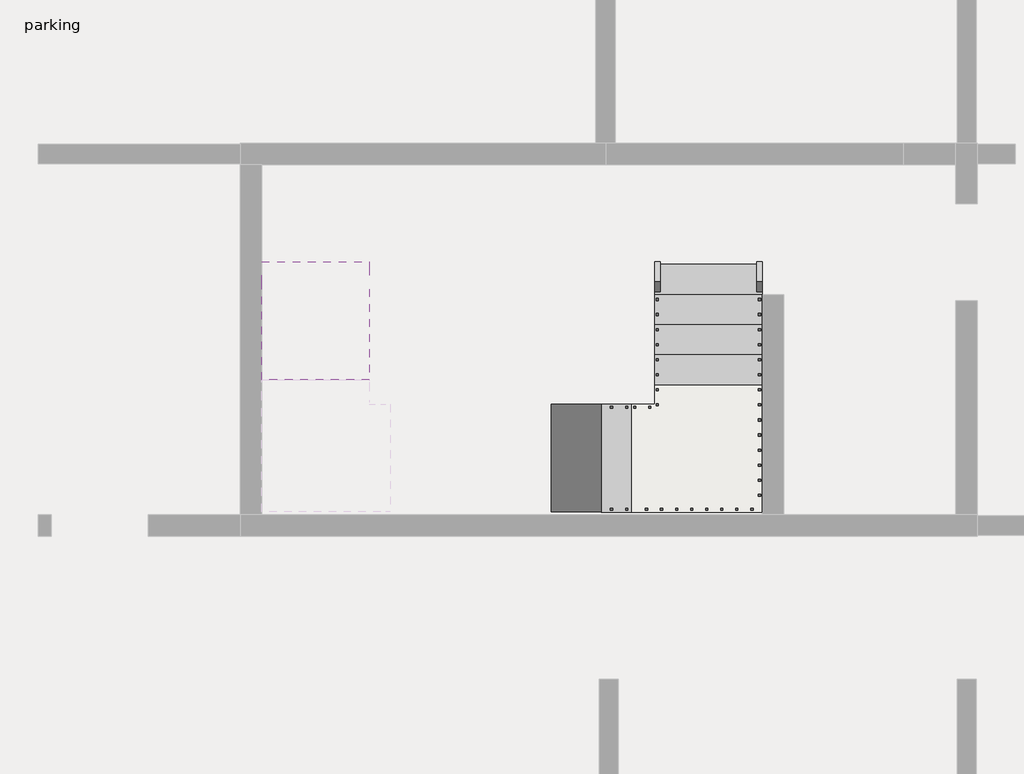
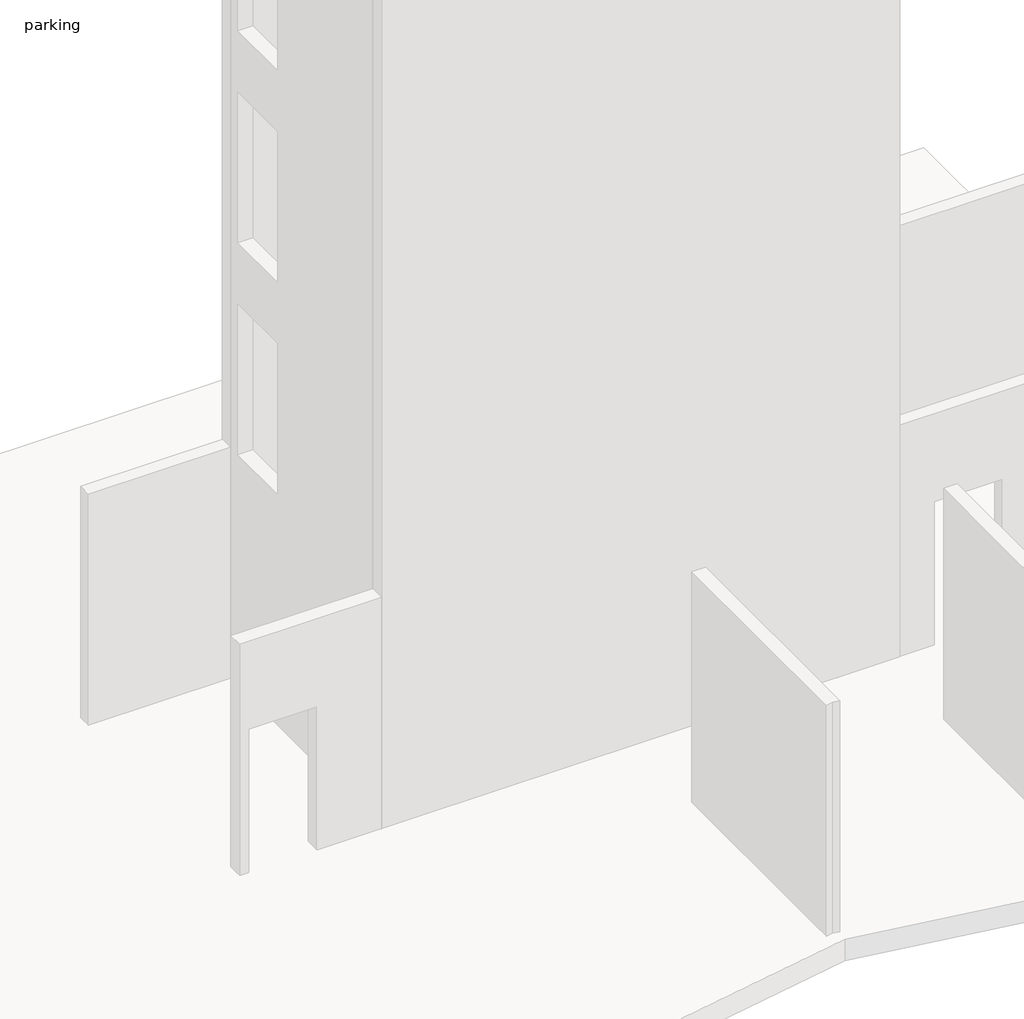
# One storey, part 4 of 4: 3 stair flights, 2 railings, 1 slab.
"""IFC4 building model written with IfcOpenShell, lengths in millimetres."""

import ifcopenshell
import ifcopenshell.guid

model = None  # the IFC model being written
_history = None  # IfcOwnerHistory: only IFC2X3 demands one
_inside = {}  # id of a spatial element -> (the spatial element, [elements in it])
_under = {}  # id of a project, library or spatial element -> (it, [spatial elements below it])
_declared = {}  # id of a project -> (the project, [libraries it declares])
_typed = {}  # id of a type object -> (the type object, [elements of that type])
_made_of = {}  # id of a material, layer set ... -> (it, [elements and type objects made of it])


def new_model(schema):
    """Start an empty IFC model of exactly this schema.

    Asked for "IFC4X3", IfcOpenShell would pick the latest addendum, in which some entities
    have other attributes; the version numbers below select the first issue.
    IFC2X3 requires an IfcOwnerHistory on every rooted entity: one is made here for all.
    """
    global model, _history
    if schema == "IFC4X3":
        model = ifcopenshell.file(schema_version=(4, 3, 0, 0))
    else:
        model = ifcopenshell.file(schema=schema)
    _inside.clear()
    _under.clear()
    _declared.clear()
    _typed.clear()
    _made_of.clear()
    _history = None
    if model.schema == "IFC2X3":
        org = make("IfcOrganization", Name="unknown")
        user = make(
            "IfcPersonAndOrganization",
            ThePerson=make("IfcPerson", FamilyName="unknown"),
            TheOrganization=org,
        )
        app = make(
            "IfcApplication",
            ApplicationDeveloper=org,
            Version="unknown",
            ApplicationFullName="unknown",
            ApplicationIdentifier="unknown",
        )
        _history = make(
            "IfcOwnerHistory",
            OwningUser=user,
            OwningApplication=app,
            ChangeAction="ADDED",
            CreationDate=0,
        )
    return model


def make(cls, **values):
    """One entity of the class cls with the attributes given. An attribute that is None is left unset."""
    return model.create_entity(
        cls, **{name: value for name, value in values.items() if value is not None}
    )


def rooted(cls, **values):
    """An entity with a GlobalId (a new one), such as an element, a storey or a relation."""
    return make(cls, GlobalId=ifcopenshell.guid.new(), OwnerHistory=_history, **values)


def si_unit(unit_type, name, prefix=None):
    """IfcSIUnit, for example si_unit("LENGTHUNIT", "METRE", prefix="MILLI")."""
    return make("IfcSIUnit", UnitType=unit_type, Prefix=prefix, Name=name)


def assignment(units):
    """IfcUnitAssignment: the units of a project."""
    return None if units is None else make("IfcUnitAssignment", Units=units)


def point(xyz):
    """IfcCartesianPoint."""
    return None if xyz is None else make("IfcCartesianPoint", Coordinates=xyz)


def direction(xyz):
    """IfcDirection."""
    return None if xyz is None else make("IfcDirection", DirectionRatios=xyz)


def frame(location, z_axis=None, x_axis=None):
    """IfcAxis2Placement3D, a coordinate frame: its origin and axes. An axis left out is left unset."""
    return make(
        "IfcAxis2Placement3D",
        Location=point(location),
        Axis=direction(z_axis),
        RefDirection=direction(x_axis),
    )


def origin():
    """The frame at (0, 0, 0) with its axes left unset."""
    return frame((0.0, 0.0, 0.0))


def place(relative_to, where):
    """IfcLocalPlacement: puts the frame where relative to a parent placement (None: the world)."""
    return make(
        "IfcLocalPlacement", PlacementRelTo=relative_to, RelativePlacement=where
    )


def context(
    kind, dimensions, precision=None, world=None, true_north=None, identifier=None
):
    """IfcGeometricRepresentationContext, for example the 3D "Model" context."""
    return make(
        "IfcGeometricRepresentationContext",
        ContextIdentifier=identifier,
        ContextType=kind,
        CoordinateSpaceDimension=dimensions,
        Precision=precision,
        WorldCoordinateSystem=world,
        TrueNorth=true_north,
    )


def project(units=None, contexts=None):
    """IfcProject with its units and contexts."""
    return rooted(
        "IfcProject",
        Name="project",
        RepresentationContexts=contexts,
        UnitsInContext=assignment(units),
    )


def spatial(cls, under=None, at=None, **own):
    """A site, building, storey or space (cls), placed at a placement, below another one or the project."""
    s = rooted(cls, ObjectPlacement=at, **own)
    if under is not None:
        _under.setdefault(under.id(), (under, []))[1].append(s)
    return s


def polyline(points):
    """IfcPolyline through the points."""
    return make("IfcPolyline", Points=[point(p) for p in points])


def outline(outer, holes=None, kind="AREA"):
    """IfcArbitraryClosedProfileDef: a profile drawn as a closed curve; with holes, ...WithVoids."""
    if holes is None:
        return make("IfcArbitraryClosedProfileDef", ProfileType=kind, OuterCurve=outer)
    return make(
        "IfcArbitraryProfileDefWithVoids",
        ProfileType=kind,
        OuterCurve=outer,
        InnerCurves=holes,
    )


def extrude(swept, where, along, depth):
    """IfcExtrudedAreaSolid: the profile swept, set in the frame where, extruded along a direction by depth."""
    return make(
        "IfcExtrudedAreaSolid",
        SweptArea=swept,
        Position=where,
        ExtrudedDirection=direction(along),
        Depth=depth,
    )


def faces_of(points, faces, orient=None, outer=None):
    """IfcFace entities. A face is a list of loops; a loop is a list of indices into points, from 0.

    orient and outer hold one flag for each loop. By default every Orientation is true, the
    first loop of a face is its IfcFaceOuterBound and the others are IfcFaceBound.
    """
    made = []
    for i, loops in enumerate(faces):
        bounds = []
        for j, loop in enumerate(loops):
            is_outer = j == 0 if outer is None else outer[i][j]
            bounds.append(
                make(
                    "IfcFaceOuterBound" if is_outer else "IfcFaceBound",
                    Bound=make("IfcPolyLoop", Polygon=[points[k] for k in loop]),
                    Orientation=True if orient is None else orient[i][j],
                )
            )
        made.append(make("IfcFace", Bounds=bounds))
    return made


def faceted_brep(points, faces, orient=None, outer=None, voids=None):
    """IfcFacetedBrep: a solid bounded by flat faces; with voids (closed shells), ...WithVoids."""
    shared = [point(p) for p in points]
    hull = make("IfcClosedShell", CfsFaces=faces_of(shared, faces, orient, outer))
    if voids is None:
        return make("IfcFacetedBrep", Outer=hull)
    return make(
        "IfcFacetedBrepWithVoids",
        Outer=hull,
        Voids=[
            make(cls, CfsFaces=faces_of(shared, fs, o, b)) for cls, fs, o, b in voids
        ],
    )


def shape(context_of_items, identifier, shape_type, items):
    """IfcShapeRepresentation: the items that make up one representation, for example the "Body"."""
    return make(
        "IfcShapeRepresentation",
        ContextOfItems=context_of_items,
        RepresentationIdentifier=identifier,
        RepresentationType=shape_type,
        Items=items,
    )


def made_of(thing, what):
    """Note that an element or type object is made of a material, layer set ...; save() writes the relation."""
    if what is not None:
        _made_of.setdefault(what.id(), (what, []))[1].append(thing)
    return thing


def element(
    cls,
    number,
    at=None,
    inside=None,
    cuts=None,
    type_object=None,
    material=None,
    context=None,
    identifier="Body",
    shape_type=None,
    held_by="IfcProductDefinitionShape",
    body=None,
    shapes=None,
    **own,
):
    """One element of the class cls, such as IfcWall. Its Tag is "e" and its number.

    at: its placement. inside: the storey or other place that contains it. cuts: it is an
    opening in that element (IfcRelVoidsElement). A single representation is given by context,
    identifier, shape_type and body (its items); several are given by shapes. held_by: the class
    of the entity that holds the representations. save() writes the other relations.
    """
    e = rooted(cls, Tag="e%d" % number, ObjectPlacement=at, **own)
    if body is not None:
        shapes = [shape(context, identifier, shape_type, body)]
    if shapes is not None:
        e.Representation = make(held_by, Representations=shapes)
    if inside is not None:
        _inside.setdefault(inside.id(), (inside, []))[1].append(e)
    if cuts is not None:
        rooted(
            "IfcRelVoidsElement", RelatingBuildingElement=cuts, RelatedOpeningElement=e
        )
    if type_object is not None:
        _typed.setdefault(type_object.id(), (type_object, []))[1].append(e)
    return made_of(e, material)


def aggregate(whole, parts):
    """IfcRelAggregates: a whole, such as a stair, and the parts it consists of."""
    return rooted("IfcRelAggregates", RelatingObject=whole, RelatedObjects=parts)


def save(model, path):
    """Write the relations noted so far, then the file.

    IfcRelAggregates (storeys below a building ...), IfcRelContainedInSpatialStructure (elements
    in a storey), IfcRelDefinesByType, IfcRelAssociatesMaterial and IfcRelDeclares: one each for
    every whole, place, type object, material and project.
    """
    for whole, parts in _under.values():
        aggregate(whole, parts)
    for where, things in _inside.values():
        rooted(
            "IfcRelContainedInSpatialStructure",
            RelatedElements=things,
            RelatingStructure=where,
        )
    for kind, things in _typed.values():
        rooted("IfcRelDefinesByType", RelatedObjects=things, RelatingType=kind)
    for what, things in _made_of.values():
        rooted("IfcRelAssociatesMaterial", RelatedObjects=things, RelatingMaterial=what)
    for by, libraries in _declared.values():
        rooted("IfcRelDeclares", RelatingContext=by, RelatedDefinitions=libraries)
    model.write(path)


model = new_model("IFC4")

# Units and contexts
model_context = context("Model", 3, world=origin())
ifc_project = project(units=[si_unit("LENGTHUNIT", "METRE", prefix="MILLI")], contexts=[model_context])

# Site, building, storey
site = spatial("IfcSite", under=ifc_project)
building = spatial("IfcBuilding", under=site)
storey = spatial("IfcBuildingStorey", under=building, Name="parking", Elevation=-3230.0)

# Railings
placement = place(None, origin())
element("IfcRailing", 1, ObjectType="900mm", at=placement, inside=storey, context=model_context, shape_type="SolidModel", body=[
    faceted_brep([(6142.5903209, 12817.190715, -2150.2631579), (6142.5903209, 12817.190715, -2209.6781773), (6092.5903209, 12817.190715, -2209.6781773), (6092.5903209, 12817.190715, -2150.2631579), (6142.5903209, 11697.190715, -1431.3157895), (6142.5903209, 11682.5236862, -1481.3157895), (6092.5903209, 11682.5236862, -1481.3157895), (6092.5903209, 11697.190715, -1431.3157895), (6142.5903209, 11441.790715, -1431.3157895), (6092.5903209, 11441.790715, -1431.3157895), (6092.5903209, 11441.790715, -1481.3157895), (6142.5903209, 11441.790715, -1481.3157895)], [[[0, 1, 2, 3]], [[1, 0, 4, 5]], [[2, 1, 5, 6]], [[3, 2, 6, 7]], [[0, 3, 7, 4]], [[8, 9, 10, 11]], [[5, 4, 8, 11]], [[6, 5, 11, 10]], [[7, 6, 10, 9]], [[4, 7, 9, 8]]]),
    faceted_brep([(6092.5903209, 11441.790715, -1410.4549675), (6092.5903209, 11441.790715, -1475.5755908), (6092.5903209, 11491.790715, -1475.5755908), (6092.5903209, 11491.790715, -1410.4549675), (5902.1903209, 11441.790715, -1251.5789474), (5872.5532198, 11441.790715, -1291.969399), (5872.5532198, 11491.790715, -1291.969399), (5902.1903209, 11491.790715, -1251.5789474), (3662.1903209, 11441.790715, 186.3157895), (3647.5232922, 11441.790715, 136.3157895), (3647.5232922, 11491.790715, 136.3157895), (3662.1903209, 11491.790715, 186.3157895), (3391.7903209, 11441.790715, 186.3157895), (3391.7903209, 11491.790715, 186.3157895), (3391.7903209, 11491.790715, 136.3157895), (3391.7903209, 11441.790715, 136.3157895)], [[[0, 1, 2, 3]], [[1, 0, 4, 5]], [[2, 1, 5, 6]], [[3, 2, 6, 7]], [[0, 3, 7, 4]], [[5, 4, 8, 9]], [[6, 5, 9, 10]], [[7, 6, 10, 11]], [[4, 7, 11, 8]], [[12, 13, 14, 15]], [[9, 8, 12, 15]], [[10, 9, 15, 14]], [[11, 10, 14, 13]], [[8, 11, 13, 12]]]),
    faceted_brep([(3391.7903209, 11491.790715, 205.818485), (3391.7903209, 11491.790715, 142.4038137), (3441.7903209, 11491.790715, 142.4038137), (3441.7903209, 11491.790715, 205.818485), (3391.7903209, 11697.190715, 366.0526316), (3391.7903209, 11726.1337398, 325.2166404), (3441.7903209, 11726.1337398, 325.2166404), (3441.7903209, 11697.190715, 366.0526316), (3391.7903209, 12817.190715, 1085.0), (3441.7903209, 12817.190715, 1085.0), (3441.7903209, 12817.190715, 1025.5849806), (3391.7903209, 12817.190715, 1025.5849806)], [[[0, 1, 2, 3]], [[1, 0, 4, 5]], [[2, 1, 5, 6]], [[3, 2, 6, 7]], [[0, 3, 7, 4]], [[8, 9, 10, 11]], [[5, 4, 8, 11]], [[6, 5, 11, 10]], [[7, 6, 10, 9]], [[4, 7, 9, 8]]]),
    extrude(outline(polyline([(12737.190715, 5.2631579), (12737.190715, 974.2315972), (12757.190715, 987.069943), (12757.190715, 5.2631579), (12737.190715, 5.2631579)])), frame((3406.7903209, 0.0, 0.0), z_axis=(1.0, 0.0, 0.0), x_axis=(0.0, 1.0, 0.0)), (0.0, 0.0, 1.0), 20.0),
    extrude(outline(polyline([(12597.190715, 5.2631579), (12597.190715, 884.3631761), (12617.190715, 897.201522), (12617.190715, 5.2631579), (12597.190715, 5.2631579)])), frame((3406.7903209, 0.0, 0.0), z_axis=(1.0, 0.0, 0.0), x_axis=(0.0, 1.0, 0.0)), (0.0, 0.0, 1.0), 20.0),
    extrude(outline(polyline([(12457.190715, -174.4736842), (12457.190715, 794.4947551), (12477.190715, 807.3331009), (12477.190715, -174.4736842), (12457.190715, -174.4736842)])), frame((3406.7903209, 0.0, 0.0), z_axis=(1.0, 0.0, 0.0), x_axis=(0.0, 1.0, 0.0)), (0.0, 0.0, 1.0), 20.0),
    extrude(outline(polyline([(12317.190715, -174.4736842), (12317.190715, 704.626334), (12337.190715, 717.4646799), (12337.190715, -174.4736842), (12317.190715, -174.4736842)])), frame((3406.7903209, 0.0, 0.0), z_axis=(1.0, 0.0, 0.0), x_axis=(0.0, 1.0, 0.0)), (0.0, 0.0, 1.0), 20.0),
    extrude(outline(polyline([(12177.190715, -354.2105263), (12177.190715, 614.7579129), (12197.190715, 627.5962588), (12197.190715, -354.2105263), (12177.190715, -354.2105263)])), frame((3406.7903209, 0.0, 0.0), z_axis=(1.0, 0.0, 0.0), x_axis=(0.0, 1.0, 0.0)), (0.0, 0.0, 1.0), 20.0),
    extrude(outline(polyline([(12037.190715, -354.2105263), (12037.190715, 524.8894919), (12057.190715, 537.7278378), (12057.190715, -354.2105263), (12037.190715, -354.2105263)])), frame((3406.7903209, 0.0, 0.0), z_axis=(1.0, 0.0, 0.0), x_axis=(0.0, 1.0, 0.0)), (0.0, 0.0, 1.0), 20.0),
    extrude(outline(polyline([(11897.190715, -533.9473684), (11897.190715, 435.0210708), (11917.190715, 447.8594167), (11917.190715, -533.9473684), (11897.190715, -533.9473684)])), frame((3406.7903209, 0.0, 0.0), z_axis=(1.0, 0.0, 0.0), x_axis=(0.0, 1.0, 0.0)), (0.0, 0.0, 1.0), 20.0),
    extrude(outline(polyline([(11757.190715, -533.9473684), (11757.190715, 345.1526498), (11777.190715, 357.9909957), (11777.190715, -533.9473684), (11757.190715, -533.9473684)])), frame((3406.7903209, 0.0, 0.0), z_axis=(1.0, 0.0, 0.0), x_axis=(0.0, 1.0, 0.0)), (0.0, 0.0, 1.0), 20.0),
    extrude(outline(polyline([(11666.790715, -713.6842105), (11666.790715, 278.9226825), (11686.790715, 294.524839), (11686.790715, -713.6842105), (11666.790715, -713.6842105)])), frame((3406.7903209, 0.0, 0.0), z_axis=(1.0, 0.0, 0.0), x_axis=(0.0, 1.0, 0.0)), (0.0, 0.0, 1.0), 20.0),
    extrude(outline(polyline([(11526.790715, -713.6842105), (11526.790715, 169.7075875), (11546.790715, 185.3097439), (11546.790715, -713.6842105), (11526.790715, -713.6842105)])), frame((3406.7903209, 0.0, 0.0), z_axis=(1.0, 0.0, 0.0), x_axis=(0.0, 1.0, 0.0)), (0.0, 0.0, 1.0), 20.0),
    extrude(outline(polyline([(3462.1903209, 11476.790715), (3462.1903209, 11456.790715), (3442.1903209, 11456.790715), (3442.1903209, 11476.790715), (3462.1903209, 11476.790715)])), frame((0.0, 0.0, -713.6842105), z_axis=(0.0, 0.0, 1.0), x_axis=(1.0, 0.0, 0.0)), (0.0, 0.0, 1.0), 850.0),
    extrude(outline(polyline([(3602.1903209, 11476.790715), (3602.1903209, 11456.790715), (3582.1903209, 11456.790715), (3582.1903209, 11476.790715), (3602.1903209, 11476.790715)])), frame((0.0, 0.0, -713.6842105), z_axis=(0.0, 0.0, 1.0), x_axis=(1.0, 0.0, 0.0)), (0.0, 0.0, 1.0), 850.0),
    extrude(outline(polyline([(-893.4210526, 3742.1903209), (75.5473866, 3742.1903209), (88.3857325, 3722.1903209), (-893.4210526, 3722.1903209), (-893.4210526, 3742.1903209)])), frame((0.0, 11456.790715, 0.0), z_axis=(0.0, 1.0, 0.0), x_axis=(0.0, 0.0, 1.0)), (0.0, 0.0, 1.0), 20.0),
    extrude(outline(polyline([(-893.4210526, 3882.1903209), (-14.3210344, 3882.1903209), (-1.4826886, 3862.1903209), (-893.4210526, 3862.1903209), (-893.4210526, 3882.1903209)])), frame((0.0, 11456.790715, 0.0), z_axis=(0.0, 1.0, 0.0), x_axis=(0.0, 0.0, 1.0)), (0.0, 0.0, 1.0), 20.0),
    extrude(outline(polyline([(-1073.1578947, 4022.1903209), (-104.1894555, 4022.1903209), (-91.3511096, 4002.1903209), (-1073.1578947, 4002.1903209), (-1073.1578947, 4022.1903209)])), frame((0.0, 11456.790715, 0.0), z_axis=(0.0, 1.0, 0.0), x_axis=(0.0, 0.0, 1.0)), (0.0, 0.0, 1.0), 20.0),
    extrude(outline(polyline([(-1073.1578947, 4162.1903209), (-194.0578765, 4162.1903209), (-181.2195307, 4142.1903209), (-1073.1578947, 4142.1903209), (-1073.1578947, 4162.1903209)])), frame((0.0, 11456.790715, 0.0), z_axis=(0.0, 1.0, 0.0), x_axis=(0.0, 0.0, 1.0)), (0.0, 0.0, 1.0), 20.0),
    extrude(outline(polyline([(-1252.8947368, 4302.1903209), (-283.9262976, 4302.1903209), (-271.0879517, 4282.1903209), (-1252.8947368, 4282.1903209), (-1252.8947368, 4302.1903209)])), frame((0.0, 11456.790715, 0.0), z_axis=(0.0, 1.0, 0.0), x_axis=(0.0, 0.0, 1.0)), (0.0, 0.0, 1.0), 20.0),
    extrude(outline(polyline([(-1252.8947368, 4442.1903209), (-373.7947186, 4442.1903209), (-360.9563728, 4422.1903209), (-1252.8947368, 4422.1903209), (-1252.8947368, 4442.1903209)])), frame((0.0, 11456.790715, 0.0), z_axis=(0.0, 1.0, 0.0), x_axis=(0.0, 0.0, 1.0)), (0.0, 0.0, 1.0), 20.0),
    extrude(outline(polyline([(-1432.6315789, 4582.1903209), (-463.6631397, 4582.1903209), (-450.8247938, 4562.1903209), (-1432.6315789, 4562.1903209), (-1432.6315789, 4582.1903209)])), frame((0.0, 11456.790715, 0.0), z_axis=(0.0, 1.0, 0.0), x_axis=(0.0, 0.0, 1.0)), (0.0, 0.0, 1.0), 20.0),
    extrude(outline(polyline([(-1432.6315789, 4722.1903209), (-553.5315607, 4722.1903209), (-540.6932149, 4702.1903209), (-1432.6315789, 4702.1903209), (-1432.6315789, 4722.1903209)])), frame((0.0, 11456.790715, 0.0), z_axis=(0.0, 1.0, 0.0), x_axis=(0.0, 0.0, 1.0)), (0.0, 0.0, 1.0), 20.0),
    extrude(outline(polyline([(-1612.3684211, 4862.1903209), (-643.3999818, 4862.1903209), (-630.5616359, 4842.1903209), (-1612.3684211, 4842.1903209), (-1612.3684211, 4862.1903209)])), frame((0.0, 11456.790715, 0.0), z_axis=(0.0, 1.0, 0.0), x_axis=(0.0, 0.0, 1.0)), (0.0, 0.0, 1.0), 20.0),
    extrude(outline(polyline([(-1612.3684211, 5002.1903209), (-733.2684028, 5002.1903209), (-720.430057, 4982.1903209), (-1612.3684211, 4982.1903209), (-1612.3684211, 5002.1903209)])), frame((0.0, 11456.790715, 0.0), z_axis=(0.0, 1.0, 0.0), x_axis=(0.0, 0.0, 1.0)), (0.0, 0.0, 1.0), 20.0),
    extrude(outline(polyline([(-1792.1052632, 5142.1903209), (-823.1368239, 5142.1903209), (-810.298478, 5122.1903209), (-1792.1052632, 5122.1903209), (-1792.1052632, 5142.1903209)])), frame((0.0, 11456.790715, 0.0), z_axis=(0.0, 1.0, 0.0), x_axis=(0.0, 0.0, 1.0)), (0.0, 0.0, 1.0), 20.0),
    extrude(outline(polyline([(-1792.1052632, 5282.1903209), (-913.0052449, 5282.1903209), (-900.1668991, 5262.1903209), (-1792.1052632, 5262.1903209), (-1792.1052632, 5282.1903209)])), frame((0.0, 11456.790715, 0.0), z_axis=(0.0, 1.0, 0.0), x_axis=(0.0, 0.0, 1.0)), (0.0, 0.0, 1.0), 20.0),
    extrude(outline(polyline([(-1971.8421053, 5422.1903209), (-1002.873666, 5422.1903209), (-990.0353201, 5402.1903209), (-1971.8421053, 5402.1903209), (-1971.8421053, 5422.1903209)])), frame((0.0, 11456.790715, 0.0), z_axis=(0.0, 1.0, 0.0), x_axis=(0.0, 0.0, 1.0)), (0.0, 0.0, 1.0), 20.0),
    extrude(outline(polyline([(-1971.8421053, 5562.1903209), (-1092.7420871, 5562.1903209), (-1079.9037412, 5542.1903209), (-1971.8421053, 5542.1903209), (-1971.8421053, 5562.1903209)])), frame((0.0, 11456.790715, 0.0), z_axis=(0.0, 1.0, 0.0), x_axis=(0.0, 0.0, 1.0)), (0.0, 0.0, 1.0), 20.0),
    extrude(outline(polyline([(-2151.5789474, 5702.1903209), (-1182.6105081, 5702.1903209), (-1169.7721622, 5682.1903209), (-2151.5789474, 5682.1903209), (-2151.5789474, 5702.1903209)])), frame((0.0, 11456.790715, 0.0), z_axis=(0.0, 1.0, 0.0), x_axis=(0.0, 0.0, 1.0)), (0.0, 0.0, 1.0), 20.0),
    extrude(outline(polyline([(-2151.5789474, 5842.1903209), (-1272.4789292, 5842.1903209), (-1259.6405833, 5822.1903209), (-2151.5789474, 5822.1903209), (-2151.5789474, 5842.1903209)])), frame((0.0, 11456.790715, 0.0), z_axis=(0.0, 1.0, 0.0), x_axis=(0.0, 0.0, 1.0)), (0.0, 0.0, 1.0), 20.0),
    extrude(outline(polyline([(-2331.3157895, 5917.5903209), (-1329.549837, 5917.5903209), (-1312.8611794, 5897.5903209), (-2331.3157895, 5897.5903209), (-2331.3157895, 5917.5903209)])), frame((0.0, 11456.790715, 0.0), z_axis=(0.0, 1.0, 0.0), x_axis=(0.0, 0.0, 1.0)), (0.0, 0.0, 1.0), 20.0),
    extrude(outline(polyline([(-2331.3157895, 6057.5903209), (-1446.37044, 6057.5903209), (-1429.6817824, 6037.5903209), (-2331.3157895, 6037.5903209), (-2331.3157895, 6057.5903209)])), frame((0.0, 11456.790715, 0.0), z_axis=(0.0, 1.0, 0.0), x_axis=(0.0, 0.0, 1.0)), (0.0, 0.0, 1.0), 20.0),
    extrude(outline(polyline([(6107.5903209, 11497.190715), (6127.5903209, 11497.190715), (6127.5903209, 11477.190715), (6107.5903209, 11477.190715), (6107.5903209, 11497.190715)])), frame((0.0, 0.0, -2331.3157895), z_axis=(0.0, 0.0, 1.0), x_axis=(1.0, 0.0, 0.0)), (0.0, 0.0, 1.0), 850.0),
    extrude(outline(polyline([(6107.5903209, 11637.190715), (6127.5903209, 11637.190715), (6127.5903209, 11617.190715), (6107.5903209, 11617.190715), (6107.5903209, 11637.190715)])), frame((0.0, 0.0, -2331.3157895), z_axis=(0.0, 0.0, 1.0), x_axis=(1.0, 0.0, 0.0)), (0.0, 0.0, 1.0), 850.0),
    extrude(outline(polyline([(11777.190715, -1542.0841923), (11777.190715, -2511.0526316), (11757.190715, -2511.0526316), (11757.190715, -1529.2458465), (11777.190715, -1542.0841923)])), frame((6107.5903209, 0.0, 0.0), z_axis=(1.0, 0.0, 0.0), x_axis=(0.0, 1.0, 0.0)), (0.0, 0.0, 1.0), 20.0),
    extrude(outline(polyline([(11917.190715, -1631.9526134), (11917.190715, -2511.0526316), (11897.190715, -2511.0526316), (11897.190715, -1619.1142675), (11917.190715, -1631.9526134)])), frame((6107.5903209, 0.0, 0.0), z_axis=(1.0, 0.0, 0.0), x_axis=(0.0, 1.0, 0.0)), (0.0, 0.0, 1.0), 20.0),
    extrude(outline(polyline([(12057.190715, -1721.8210344), (12057.190715, -2690.7894737), (12037.190715, -2690.7894737), (12037.190715, -1708.9826886), (12057.190715, -1721.8210344)])), frame((6107.5903209, 0.0, 0.0), z_axis=(1.0, 0.0, 0.0), x_axis=(0.0, 1.0, 0.0)), (0.0, 0.0, 1.0), 20.0),
    extrude(outline(polyline([(12197.190715, -1811.6894555), (12197.190715, -2690.7894737), (12177.190715, -2690.7894737), (12177.190715, -1798.8511096), (12197.190715, -1811.6894555)])), frame((6107.5903209, 0.0, 0.0), z_axis=(1.0, 0.0, 0.0), x_axis=(0.0, 1.0, 0.0)), (0.0, 0.0, 1.0), 20.0),
    extrude(outline(polyline([(12337.190715, -1901.5578765), (12337.190715, -2870.5263158), (12317.190715, -2870.5263158), (12317.190715, -1888.7195307), (12337.190715, -1901.5578765)])), frame((6107.5903209, 0.0, 0.0), z_axis=(1.0, 0.0, 0.0), x_axis=(0.0, 1.0, 0.0)), (0.0, 0.0, 1.0), 20.0),
    extrude(outline(polyline([(12477.190715, -1991.4262976), (12477.190715, -2870.5263158), (12457.190715, -2870.5263158), (12457.190715, -1978.5879517), (12477.190715, -1991.4262976)])), frame((6107.5903209, 0.0, 0.0), z_axis=(1.0, 0.0, 0.0), x_axis=(0.0, 1.0, 0.0)), (0.0, 0.0, 1.0), 20.0),
    extrude(outline(polyline([(12617.190715, -2081.2947186), (12617.190715, -3050.2631579), (12597.190715, -3050.2631579), (12597.190715, -2068.4563728), (12617.190715, -2081.2947186)])), frame((6107.5903209, 0.0, 0.0), z_axis=(1.0, 0.0, 0.0), x_axis=(0.0, 1.0, 0.0)), (0.0, 0.0, 1.0), 20.0),
    extrude(outline(polyline([(12757.190715, -2171.1631397), (12757.190715, -3050.2631579), (12737.190715, -3050.2631579), (12737.190715, -2158.3247938), (12757.190715, -2171.1631397)])), frame((6107.5903209, 0.0, 0.0), z_axis=(1.0, 0.0, 0.0), x_axis=(0.0, 1.0, 0.0)), (0.0, 0.0, 1.0), 20.0),
])
element("IfcRailing", 2, ObjectType="900mm", at=placement, inside=storey, context=model_context, shape_type="SolidModel", body=[
    faceted_brep([(7091.7903209, 12817.190715, -2150.2631579), (7091.7903209, 12817.190715, -2209.6781773), (7041.7903209, 12817.190715, -2209.6781773), (7041.7903209, 12817.190715, -2150.2631579), (7091.7903209, 11697.190715, -1431.3157895), (7091.7903209, 11682.5236862, -1481.3157895), (7041.7903209, 11682.5236862, -1481.3157895), (7041.7903209, 11697.190715, -1431.3157895), (7091.7903209, 10492.590715, -1431.3157895), (7091.7903209, 10492.590715, -1481.3157895), (7041.7903209, 10542.590715, -1481.3157895), (7041.7903209, 10542.590715, -1431.3157895), (6182.1903209, 10492.590715, -1431.3157895), (6167.5232922, 10492.590715, -1481.3157895), (6167.5232922, 10542.590715, -1481.3157895), (6182.1903209, 10542.590715, -1431.3157895), (5902.1903209, 10492.590715, -1251.5789474), (5875.1804293, 10492.590715, -1293.6558502), (5875.1804293, 10542.590715, -1293.6558502), (5902.1903209, 10542.590715, -1251.5789474), (3662.1903209, 10492.590715, 186.3157895), (3647.5232922, 10492.590715, 136.3157895), (3647.5232922, 10542.590715, 136.3157895), (3662.1903209, 10542.590715, 186.3157895), (2442.5903209, 10492.590715, 186.3157895), (2442.5903209, 10492.590715, 136.3157895), (2492.5903209, 10542.590715, 136.3157895), (2492.5903209, 10542.590715, 186.3157895), (2442.5903209, 11417.190715, 186.3157895), (2442.5903209, 11431.8577437, 136.3157895), (2492.5903209, 11431.8577437, 136.3157895), (2492.5903209, 11417.190715, 186.3157895), (2442.5903209, 11697.190715, 366.0526316), (2442.5903209, 11724.2006066, 323.9757287), (2492.5903209, 11724.2006066, 323.9757287), (2492.5903209, 11697.190715, 366.0526316), (2442.5903209, 12817.190715, 1085.0), (2492.5903209, 12817.190715, 1085.0), (2492.5903209, 12817.190715, 1025.5849806), (2442.5903209, 12817.190715, 1025.5849806)], [[[0, 1, 2, 3]], [[1, 0, 4, 5]], [[2, 1, 5, 6]], [[3, 2, 6, 7]], [[0, 3, 7, 4]], [[5, 4, 8, 9]], [[6, 5, 9, 10]], [[7, 6, 10, 11]], [[4, 7, 11, 8]], [[9, 8, 12, 13]], [[10, 9, 13, 14]], [[11, 10, 14, 15]], [[8, 11, 15, 12]], [[13, 12, 16, 17]], [[14, 13, 17, 18]], [[15, 14, 18, 19]], [[12, 15, 19, 16]], [[17, 16, 20, 21]], [[18, 17, 21, 22]], [[19, 18, 22, 23]], [[16, 19, 23, 20]], [[21, 20, 24, 25]], [[22, 21, 25, 26]], [[23, 22, 26, 27]], [[20, 23, 27, 24]], [[25, 24, 28, 29]], [[26, 25, 29, 30]], [[27, 26, 30, 31]], [[24, 27, 31, 28]], [[29, 28, 32, 33]], [[30, 29, 33, 34]], [[31, 30, 34, 35]], [[28, 31, 35, 32]], [[36, 37, 38, 39]], [[33, 32, 36, 39]], [[34, 33, 39, 38]], [[35, 34, 38, 37]], [[32, 35, 37, 36]]]),
    extrude(outline(polyline([(12737.190715, 974.2315972), (12757.190715, 987.069943), (12757.190715, 5.2631579), (12737.190715, 5.2631579), (12737.190715, 974.2315972)])), frame((2457.5903209, 0.0, 0.0), z_axis=(1.0, 0.0, 0.0), x_axis=(0.0, 1.0, 0.0)), (0.0, 0.0, 1.0), 20.0),
    extrude(outline(polyline([(12597.190715, 884.3631761), (12617.190715, 897.201522), (12617.190715, 5.2631579), (12597.190715, 5.2631579), (12597.190715, 884.3631761)])), frame((2457.5903209, 0.0, 0.0), z_axis=(1.0, 0.0, 0.0), x_axis=(0.0, 1.0, 0.0)), (0.0, 0.0, 1.0), 20.0),
    extrude(outline(polyline([(12457.190715, 794.4947551), (12477.190715, 807.3331009), (12477.190715, -174.4736842), (12457.190715, -174.4736842), (12457.190715, 794.4947551)])), frame((2457.5903209, 0.0, 0.0), z_axis=(1.0, 0.0, 0.0), x_axis=(0.0, 1.0, 0.0)), (0.0, 0.0, 1.0), 20.0),
    extrude(outline(polyline([(12317.190715, 704.626334), (12337.190715, 717.4646799), (12337.190715, -174.4736842), (12317.190715, -174.4736842), (12317.190715, 704.626334)])), frame((2457.5903209, 0.0, 0.0), z_axis=(1.0, 0.0, 0.0), x_axis=(0.0, 1.0, 0.0)), (0.0, 0.0, 1.0), 20.0),
    extrude(outline(polyline([(12177.190715, 614.7579129), (12197.190715, 627.5962588), (12197.190715, -354.2105263), (12177.190715, -354.2105263), (12177.190715, 614.7579129)])), frame((2457.5903209, 0.0, 0.0), z_axis=(1.0, 0.0, 0.0), x_axis=(0.0, 1.0, 0.0)), (0.0, 0.0, 1.0), 20.0),
    extrude(outline(polyline([(12037.190715, 524.8894919), (12057.190715, 537.7278378), (12057.190715, -354.2105263), (12037.190715, -354.2105263), (12037.190715, 524.8894919)])), frame((2457.5903209, 0.0, 0.0), z_axis=(1.0, 0.0, 0.0), x_axis=(0.0, 1.0, 0.0)), (0.0, 0.0, 1.0), 20.0),
    extrude(outline(polyline([(11897.190715, 435.0210708), (11917.190715, 447.8594167), (11917.190715, -533.9473684), (11897.190715, -533.9473684), (11897.190715, 435.0210708)])), frame((2457.5903209, 0.0, 0.0), z_axis=(1.0, 0.0, 0.0), x_axis=(0.0, 1.0, 0.0)), (0.0, 0.0, 1.0), 20.0),
    extrude(outline(polyline([(11757.190715, 345.1526498), (11777.190715, 357.9909957), (11777.190715, -533.9473684), (11757.190715, -533.9473684), (11757.190715, 345.1526498)])), frame((2457.5903209, 0.0, 0.0), z_axis=(1.0, 0.0, 0.0), x_axis=(0.0, 1.0, 0.0)), (0.0, 0.0, 1.0), 20.0),
    extrude(outline(polyline([(11557.590715, 217.0259581), (11577.590715, 229.8643039), (11577.590715, -713.6842105), (11557.590715, -713.6842105), (11557.590715, 217.0259581)])), frame((2457.5903209, 0.0, 0.0), z_axis=(1.0, 0.0, 0.0), x_axis=(0.0, 1.0, 0.0)), (0.0, 0.0, 1.0), 20.0),
    extrude(outline(polyline([(11417.590715, 127.157537), (11437.590715, 139.9958829), (11437.590715, -713.6842105), (11417.590715, -713.6842105), (11417.590715, 127.157537)])), frame((2457.5903209, 0.0, 0.0), z_axis=(1.0, 0.0, 0.0), x_axis=(0.0, 1.0, 0.0)), (0.0, 0.0, 1.0), 20.0),
    extrude(outline(polyline([(2457.5903209, 11277.590715), (2457.5903209, 11297.590715), (2477.5903209, 11297.590715), (2477.5903209, 11277.590715), (2457.5903209, 11277.590715)])), frame((0.0, 0.0, -713.6842105), z_axis=(0.0, 0.0, 1.0), x_axis=(1.0, 0.0, 0.0)), (0.0, 0.0, 1.0), 850.0),
    extrude(outline(polyline([(2457.5903209, 11137.590715), (2457.5903209, 11157.590715), (2477.5903209, 11157.590715), (2477.5903209, 11137.590715), (2457.5903209, 11137.590715)])), frame((0.0, 0.0, -713.6842105), z_axis=(0.0, 0.0, 1.0), x_axis=(1.0, 0.0, 0.0)), (0.0, 0.0, 1.0), 850.0),
    extrude(outline(polyline([(2457.5903209, 10997.590715), (2457.5903209, 11017.590715), (2477.5903209, 11017.590715), (2477.5903209, 10997.590715), (2457.5903209, 10997.590715)])), frame((0.0, 0.0, -713.6842105), z_axis=(0.0, 0.0, 1.0), x_axis=(1.0, 0.0, 0.0)), (0.0, 0.0, 1.0), 850.0),
    extrude(outline(polyline([(2457.5903209, 10857.590715), (2457.5903209, 10877.590715), (2477.5903209, 10877.590715), (2477.5903209, 10857.590715), (2457.5903209, 10857.590715)])), frame((0.0, 0.0, -713.6842105), z_axis=(0.0, 0.0, 1.0), x_axis=(1.0, 0.0, 0.0)), (0.0, 0.0, 1.0), 850.0),
    extrude(outline(polyline([(2457.5903209, 10717.590715), (2457.5903209, 10737.590715), (2477.5903209, 10737.590715), (2477.5903209, 10717.590715), (2457.5903209, 10717.590715)])), frame((0.0, 0.0, -713.6842105), z_axis=(0.0, 0.0, 1.0), x_axis=(1.0, 0.0, 0.0)), (0.0, 0.0, 1.0), 850.0),
    extrude(outline(polyline([(2457.5903209, 10577.590715), (2457.5903209, 10597.590715), (2477.5903209, 10597.590715), (2477.5903209, 10577.590715), (2457.5903209, 10577.590715)])), frame((0.0, 0.0, -713.6842105), z_axis=(0.0, 0.0, 1.0), x_axis=(1.0, 0.0, 0.0)), (0.0, 0.0, 1.0), 850.0),
    extrude(outline(polyline([(2482.1903209, 10507.590715), (2462.1903209, 10507.590715), (2462.1903209, 10527.590715), (2482.1903209, 10527.590715), (2482.1903209, 10507.590715)])), frame((0.0, 0.0, -713.6842105), z_axis=(0.0, 0.0, 1.0), x_axis=(1.0, 0.0, 0.0)), (0.0, 0.0, 1.0), 850.0),
    extrude(outline(polyline([(2622.1903209, 10507.590715), (2602.1903209, 10507.590715), (2602.1903209, 10527.590715), (2622.1903209, 10527.590715), (2622.1903209, 10507.590715)])), frame((0.0, 0.0, -713.6842105), z_axis=(0.0, 0.0, 1.0), x_axis=(1.0, 0.0, 0.0)), (0.0, 0.0, 1.0), 850.0),
    extrude(outline(polyline([(2762.1903209, 10507.590715), (2742.1903209, 10507.590715), (2742.1903209, 10527.590715), (2762.1903209, 10527.590715), (2762.1903209, 10507.590715)])), frame((0.0, 0.0, -713.6842105), z_axis=(0.0, 0.0, 1.0), x_axis=(1.0, 0.0, 0.0)), (0.0, 0.0, 1.0), 850.0),
    extrude(outline(polyline([(2902.1903209, 10507.590715), (2882.1903209, 10507.590715), (2882.1903209, 10527.590715), (2902.1903209, 10527.590715), (2902.1903209, 10507.590715)])), frame((0.0, 0.0, -713.6842105), z_axis=(0.0, 0.0, 1.0), x_axis=(1.0, 0.0, 0.0)), (0.0, 0.0, 1.0), 850.0),
    extrude(outline(polyline([(3042.1903209, 10507.590715), (3022.1903209, 10507.590715), (3022.1903209, 10527.590715), (3042.1903209, 10527.590715), (3042.1903209, 10507.590715)])), frame((0.0, 0.0, -713.6842105), z_axis=(0.0, 0.0, 1.0), x_axis=(1.0, 0.0, 0.0)), (0.0, 0.0, 1.0), 850.0),
    extrude(outline(polyline([(3182.1903209, 10507.590715), (3162.1903209, 10507.590715), (3162.1903209, 10527.590715), (3182.1903209, 10527.590715), (3182.1903209, 10507.590715)])), frame((0.0, 0.0, -713.6842105), z_axis=(0.0, 0.0, 1.0), x_axis=(1.0, 0.0, 0.0)), (0.0, 0.0, 1.0), 850.0),
    extrude(outline(polyline([(3322.1903209, 10507.590715), (3302.1903209, 10507.590715), (3302.1903209, 10527.590715), (3322.1903209, 10527.590715), (3322.1903209, 10507.590715)])), frame((0.0, 0.0, -713.6842105), z_axis=(0.0, 0.0, 1.0), x_axis=(1.0, 0.0, 0.0)), (0.0, 0.0, 1.0), 850.0),
    extrude(outline(polyline([(3462.1903209, 10507.590715), (3442.1903209, 10507.590715), (3442.1903209, 10527.590715), (3462.1903209, 10527.590715), (3462.1903209, 10507.590715)])), frame((0.0, 0.0, -713.6842105), z_axis=(0.0, 0.0, 1.0), x_axis=(1.0, 0.0, 0.0)), (0.0, 0.0, 1.0), 850.0),
    extrude(outline(polyline([(3602.1903209, 10507.590715), (3582.1903209, 10507.590715), (3582.1903209, 10527.590715), (3602.1903209, 10527.590715), (3602.1903209, 10507.590715)])), frame((0.0, 0.0, -713.6842105), z_axis=(0.0, 0.0, 1.0), x_axis=(1.0, 0.0, 0.0)), (0.0, 0.0, 1.0), 850.0),
    extrude(outline(polyline([(75.5473866, 3742.1903209), (88.3857325, 3722.1903209), (-893.4210526, 3722.1903209), (-893.4210526, 3742.1903209), (75.5473866, 3742.1903209)])), frame((0.0, 10507.590715, 0.0), z_axis=(0.0, 1.0, 0.0), x_axis=(0.0, 0.0, 1.0)), (0.0, 0.0, 1.0), 20.0),
    extrude(outline(polyline([(-14.3210344, 3882.1903209), (-1.4826886, 3862.1903209), (-893.4210526, 3862.1903209), (-893.4210526, 3882.1903209), (-14.3210344, 3882.1903209)])), frame((0.0, 10507.590715, 0.0), z_axis=(0.0, 1.0, 0.0), x_axis=(0.0, 0.0, 1.0)), (0.0, 0.0, 1.0), 20.0),
    extrude(outline(polyline([(-104.1894555, 4022.1903209), (-91.3511096, 4002.1903209), (-1073.1578947, 4002.1903209), (-1073.1578947, 4022.1903209), (-104.1894555, 4022.1903209)])), frame((0.0, 10507.590715, 0.0), z_axis=(0.0, 1.0, 0.0), x_axis=(0.0, 0.0, 1.0)), (0.0, 0.0, 1.0), 20.0),
    extrude(outline(polyline([(-194.0578765, 4162.1903209), (-181.2195307, 4142.1903209), (-1073.1578947, 4142.1903209), (-1073.1578947, 4162.1903209), (-194.0578765, 4162.1903209)])), frame((0.0, 10507.590715, 0.0), z_axis=(0.0, 1.0, 0.0), x_axis=(0.0, 0.0, 1.0)), (0.0, 0.0, 1.0), 20.0),
    extrude(outline(polyline([(-283.9262976, 4302.1903209), (-271.0879517, 4282.1903209), (-1252.8947368, 4282.1903209), (-1252.8947368, 4302.1903209), (-283.9262976, 4302.1903209)])), frame((0.0, 10507.590715, 0.0), z_axis=(0.0, 1.0, 0.0), x_axis=(0.0, 0.0, 1.0)), (0.0, 0.0, 1.0), 20.0),
    extrude(outline(polyline([(-373.7947186, 4442.1903209), (-360.9563728, 4422.1903209), (-1252.8947368, 4422.1903209), (-1252.8947368, 4442.1903209), (-373.7947186, 4442.1903209)])), frame((0.0, 10507.590715, 0.0), z_axis=(0.0, 1.0, 0.0), x_axis=(0.0, 0.0, 1.0)), (0.0, 0.0, 1.0), 20.0),
    extrude(outline(polyline([(-463.6631397, 4582.1903209), (-450.8247938, 4562.1903209), (-1432.6315789, 4562.1903209), (-1432.6315789, 4582.1903209), (-463.6631397, 4582.1903209)])), frame((0.0, 10507.590715, 0.0), z_axis=(0.0, 1.0, 0.0), x_axis=(0.0, 0.0, 1.0)), (0.0, 0.0, 1.0), 20.0),
    extrude(outline(polyline([(-553.5315607, 4722.1903209), (-540.6932149, 4702.1903209), (-1432.6315789, 4702.1903209), (-1432.6315789, 4722.1903209), (-553.5315607, 4722.1903209)])), frame((0.0, 10507.590715, 0.0), z_axis=(0.0, 1.0, 0.0), x_axis=(0.0, 0.0, 1.0)), (0.0, 0.0, 1.0), 20.0),
    extrude(outline(polyline([(-643.3999818, 4862.1903209), (-630.5616359, 4842.1903209), (-1612.3684211, 4842.1903209), (-1612.3684211, 4862.1903209), (-643.3999818, 4862.1903209)])), frame((0.0, 10507.590715, 0.0), z_axis=(0.0, 1.0, 0.0), x_axis=(0.0, 0.0, 1.0)), (0.0, 0.0, 1.0), 20.0),
    extrude(outline(polyline([(-733.2684028, 5002.1903209), (-720.430057, 4982.1903209), (-1612.3684211, 4982.1903209), (-1612.3684211, 5002.1903209), (-733.2684028, 5002.1903209)])), frame((0.0, 10507.590715, 0.0), z_axis=(0.0, 1.0, 0.0), x_axis=(0.0, 0.0, 1.0)), (0.0, 0.0, 1.0), 20.0),
    extrude(outline(polyline([(-823.1368239, 5142.1903209), (-810.298478, 5122.1903209), (-1792.1052632, 5122.1903209), (-1792.1052632, 5142.1903209), (-823.1368239, 5142.1903209)])), frame((0.0, 10507.590715, 0.0), z_axis=(0.0, 1.0, 0.0), x_axis=(0.0, 0.0, 1.0)), (0.0, 0.0, 1.0), 20.0),
    extrude(outline(polyline([(-913.0052449, 5282.1903209), (-900.1668991, 5262.1903209), (-1792.1052632, 5262.1903209), (-1792.1052632, 5282.1903209), (-913.0052449, 5282.1903209)])), frame((0.0, 10507.590715, 0.0), z_axis=(0.0, 1.0, 0.0), x_axis=(0.0, 0.0, 1.0)), (0.0, 0.0, 1.0), 20.0),
    extrude(outline(polyline([(-1002.873666, 5422.1903209), (-990.0353201, 5402.1903209), (-1971.8421053, 5402.1903209), (-1971.8421053, 5422.1903209), (-1002.873666, 5422.1903209)])), frame((0.0, 10507.590715, 0.0), z_axis=(0.0, 1.0, 0.0), x_axis=(0.0, 0.0, 1.0)), (0.0, 0.0, 1.0), 20.0),
    extrude(outline(polyline([(-1092.7420871, 5562.1903209), (-1079.9037412, 5542.1903209), (-1971.8421053, 5542.1903209), (-1971.8421053, 5562.1903209), (-1092.7420871, 5562.1903209)])), frame((0.0, 10507.590715, 0.0), z_axis=(0.0, 1.0, 0.0), x_axis=(0.0, 0.0, 1.0)), (0.0, 0.0, 1.0), 20.0),
    extrude(outline(polyline([(-1182.6105081, 5702.1903209), (-1169.7721622, 5682.1903209), (-2151.5789474, 5682.1903209), (-2151.5789474, 5702.1903209), (-1182.6105081, 5702.1903209)])), frame((0.0, 10507.590715, 0.0), z_axis=(0.0, 1.0, 0.0), x_axis=(0.0, 0.0, 1.0)), (0.0, 0.0, 1.0), 20.0),
    extrude(outline(polyline([(-1272.4789292, 5842.1903209), (-1259.6405833, 5822.1903209), (-2151.5789474, 5822.1903209), (-2151.5789474, 5842.1903209), (-1272.4789292, 5842.1903209)])), frame((0.0, 10507.590715, 0.0), z_axis=(0.0, 1.0, 0.0), x_axis=(0.0, 0.0, 1.0)), (0.0, 0.0, 1.0), 20.0),
    extrude(outline(polyline([(-1390.9768615, 6026.7903209), (-1378.1385156, 6006.7903209), (-2331.3157895, 6006.7903209), (-2331.3157895, 6026.7903209), (-1390.9768615, 6026.7903209)])), frame((0.0, 10507.590715, 0.0), z_axis=(0.0, 1.0, 0.0), x_axis=(0.0, 0.0, 1.0)), (0.0, 0.0, 1.0), 20.0),
    extrude(outline(polyline([(-1480.8452825, 6166.7903209), (-1468.0069367, 6146.7903209), (-2331.3157895, 6146.7903209), (-2331.3157895, 6166.7903209), (-1480.8452825, 6166.7903209)])), frame((0.0, 10507.590715, 0.0), z_axis=(0.0, 1.0, 0.0), x_axis=(0.0, 0.0, 1.0)), (0.0, 0.0, 1.0), 20.0),
    extrude(outline(polyline([(6306.7903209, 10507.590715), (6286.7903209, 10507.590715), (6286.7903209, 10527.590715), (6306.7903209, 10527.590715), (6306.7903209, 10507.590715)])), frame((0.0, 0.0, -2331.3157895), z_axis=(0.0, 0.0, 1.0), x_axis=(1.0, 0.0, 0.0)), (0.0, 0.0, 1.0), 850.0),
    extrude(outline(polyline([(6446.7903209, 10507.590715), (6426.7903209, 10507.590715), (6426.7903209, 10527.590715), (6446.7903209, 10527.590715), (6446.7903209, 10507.590715)])), frame((0.0, 0.0, -2331.3157895), z_axis=(0.0, 0.0, 1.0), x_axis=(1.0, 0.0, 0.0)), (0.0, 0.0, 1.0), 850.0),
    extrude(outline(polyline([(6586.7903209, 10507.590715), (6566.7903209, 10507.590715), (6566.7903209, 10527.590715), (6586.7903209, 10527.590715), (6586.7903209, 10507.590715)])), frame((0.0, 0.0, -2331.3157895), z_axis=(0.0, 0.0, 1.0), x_axis=(1.0, 0.0, 0.0)), (0.0, 0.0, 1.0), 850.0),
    extrude(outline(polyline([(6726.7903209, 10507.590715), (6706.7903209, 10507.590715), (6706.7903209, 10527.590715), (6726.7903209, 10527.590715), (6726.7903209, 10507.590715)])), frame((0.0, 0.0, -2331.3157895), z_axis=(0.0, 0.0, 1.0), x_axis=(1.0, 0.0, 0.0)), (0.0, 0.0, 1.0), 850.0),
    extrude(outline(polyline([(6866.7903209, 10507.590715), (6846.7903209, 10507.590715), (6846.7903209, 10527.590715), (6866.7903209, 10527.590715), (6866.7903209, 10507.590715)])), frame((0.0, 0.0, -2331.3157895), z_axis=(0.0, 0.0, 1.0), x_axis=(1.0, 0.0, 0.0)), (0.0, 0.0, 1.0), 850.0),
    extrude(outline(polyline([(7006.7903209, 10507.590715), (6986.7903209, 10507.590715), (6986.7903209, 10527.590715), (7006.7903209, 10527.590715), (7006.7903209, 10507.590715)])), frame((0.0, 0.0, -2331.3157895), z_axis=(0.0, 0.0, 1.0), x_axis=(1.0, 0.0, 0.0)), (0.0, 0.0, 1.0), 850.0),
    extrude(outline(polyline([(7076.7903209, 10657.190715), (7076.7903209, 10637.190715), (7056.7903209, 10637.190715), (7056.7903209, 10657.190715), (7076.7903209, 10657.190715)])), frame((0.0, 0.0, -2331.3157895), z_axis=(0.0, 0.0, 1.0), x_axis=(1.0, 0.0, 0.0)), (0.0, 0.0, 1.0), 850.0),
    extrude(outline(polyline([(7076.7903209, 10797.190715), (7076.7903209, 10777.190715), (7056.7903209, 10777.190715), (7056.7903209, 10797.190715), (7076.7903209, 10797.190715)])), frame((0.0, 0.0, -2331.3157895), z_axis=(0.0, 0.0, 1.0), x_axis=(1.0, 0.0, 0.0)), (0.0, 0.0, 1.0), 850.0),
    extrude(outline(polyline([(7076.7903209, 10937.190715), (7076.7903209, 10917.190715), (7056.7903209, 10917.190715), (7056.7903209, 10937.190715), (7076.7903209, 10937.190715)])), frame((0.0, 0.0, -2331.3157895), z_axis=(0.0, 0.0, 1.0), x_axis=(1.0, 0.0, 0.0)), (0.0, 0.0, 1.0), 850.0),
    extrude(outline(polyline([(7076.7903209, 11077.190715), (7076.7903209, 11057.190715), (7056.7903209, 11057.190715), (7056.7903209, 11077.190715), (7076.7903209, 11077.190715)])), frame((0.0, 0.0, -2331.3157895), z_axis=(0.0, 0.0, 1.0), x_axis=(1.0, 0.0, 0.0)), (0.0, 0.0, 1.0), 850.0),
    extrude(outline(polyline([(7076.7903209, 11217.190715), (7076.7903209, 11197.190715), (7056.7903209, 11197.190715), (7056.7903209, 11217.190715), (7076.7903209, 11217.190715)])), frame((0.0, 0.0, -2331.3157895), z_axis=(0.0, 0.0, 1.0), x_axis=(1.0, 0.0, 0.0)), (0.0, 0.0, 1.0), 850.0),
    extrude(outline(polyline([(7076.7903209, 11357.190715), (7076.7903209, 11337.190715), (7056.7903209, 11337.190715), (7056.7903209, 11357.190715), (7076.7903209, 11357.190715)])), frame((0.0, 0.0, -2331.3157895), z_axis=(0.0, 0.0, 1.0), x_axis=(1.0, 0.0, 0.0)), (0.0, 0.0, 1.0), 850.0),
    extrude(outline(polyline([(7076.7903209, 11497.190715), (7076.7903209, 11477.190715), (7056.7903209, 11477.190715), (7056.7903209, 11497.190715), (7076.7903209, 11497.190715)])), frame((0.0, 0.0, -2331.3157895), z_axis=(0.0, 0.0, 1.0), x_axis=(1.0, 0.0, 0.0)), (0.0, 0.0, 1.0), 850.0),
    extrude(outline(polyline([(7076.7903209, 11637.190715), (7076.7903209, 11617.190715), (7056.7903209, 11617.190715), (7056.7903209, 11637.190715), (7076.7903209, 11637.190715)])), frame((0.0, 0.0, -2331.3157895), z_axis=(0.0, 0.0, 1.0), x_axis=(1.0, 0.0, 0.0)), (0.0, 0.0, 1.0), 850.0),
    extrude(outline(polyline([(11777.190715, -2511.0526316), (11757.190715, -2511.0526316), (11757.190715, -1529.2458465), (11777.190715, -1542.0841923), (11777.190715, -2511.0526316)])), frame((7056.7903209, 0.0, 0.0), z_axis=(1.0, 0.0, 0.0), x_axis=(0.0, 1.0, 0.0)), (0.0, 0.0, 1.0), 20.0),
    extrude(outline(polyline([(11917.190715, -2511.0526316), (11897.190715, -2511.0526316), (11897.190715, -1619.1142675), (11917.190715, -1631.9526134), (11917.190715, -2511.0526316)])), frame((7056.7903209, 0.0, 0.0), z_axis=(1.0, 0.0, 0.0), x_axis=(0.0, 1.0, 0.0)), (0.0, 0.0, 1.0), 20.0),
    extrude(outline(polyline([(12057.190715, -2690.7894737), (12037.190715, -2690.7894737), (12037.190715, -1708.9826886), (12057.190715, -1721.8210344), (12057.190715, -2690.7894737)])), frame((7056.7903209, 0.0, 0.0), z_axis=(1.0, 0.0, 0.0), x_axis=(0.0, 1.0, 0.0)), (0.0, 0.0, 1.0), 20.0),
    extrude(outline(polyline([(12197.190715, -2690.7894737), (12177.190715, -2690.7894737), (12177.190715, -1798.8511096), (12197.190715, -1811.6894555), (12197.190715, -2690.7894737)])), frame((7056.7903209, 0.0, 0.0), z_axis=(1.0, 0.0, 0.0), x_axis=(0.0, 1.0, 0.0)), (0.0, 0.0, 1.0), 20.0),
    extrude(outline(polyline([(12337.190715, -2870.5263158), (12317.190715, -2870.5263158), (12317.190715, -1888.7195307), (12337.190715, -1901.5578765), (12337.190715, -2870.5263158)])), frame((7056.7903209, 0.0, 0.0), z_axis=(1.0, 0.0, 0.0), x_axis=(0.0, 1.0, 0.0)), (0.0, 0.0, 1.0), 20.0),
    extrude(outline(polyline([(12477.190715, -2870.5263158), (12457.190715, -2870.5263158), (12457.190715, -1978.5879517), (12477.190715, -1991.4262976), (12477.190715, -2870.5263158)])), frame((7056.7903209, 0.0, 0.0), z_axis=(1.0, 0.0, 0.0), x_axis=(0.0, 1.0, 0.0)), (0.0, 0.0, 1.0), 20.0),
    extrude(outline(polyline([(12617.190715, -3050.2631579), (12597.190715, -3050.2631579), (12597.190715, -2068.4563728), (12617.190715, -2081.2947186), (12617.190715, -3050.2631579)])), frame((7056.7903209, 0.0, 0.0), z_axis=(1.0, 0.0, 0.0), x_axis=(0.0, 1.0, 0.0)), (0.0, 0.0, 1.0), 20.0),
    extrude(outline(polyline([(12757.190715, -3050.2631579), (12737.190715, -3050.2631579), (12737.190715, -2158.3247938), (12757.190715, -2171.1631397), (12757.190715, -3050.2631579)])), frame((7056.7903209, 0.0, 0.0), z_axis=(1.0, 0.0, 0.0), x_axis=(0.0, 1.0, 0.0)), (0.0, 0.0, 1.0), 20.0),
])

# Slab
element("IfcSlab", 3, ObjectType="300 mm Thickness", at=placement, inside=storey, context=model_context, shape_type="Brep", body=[
    faceted_brep([(7092.1903209, 11672.190715, -2331.3157895), (6092.1903209, 11672.190715, -2331.3157895), (6092.1903209, 11581.8645922, -2331.3157895), (6092.1903209, 11492.190715, -2331.3157895), (6066.8641981, 11492.190715, -2331.3157895), (5902.1903209, 11492.190715, -2331.3157895), (5877.1903209, 11492.190715, -2331.3157895), (5877.1903209, 10492.190715, -2331.3157895), (5902.1903209, 10492.190715, -2331.3157895), (6066.8641981, 10492.190715, -2331.3157895), (7092.1903209, 10492.190715, -2331.3157895), (7092.1903209, 11581.8645922, -2331.3157895), (7092.1903209, 11672.190715, -2511.0526316), (7092.1903209, 11672.190715, -2689.2976897), (6092.1903209, 11672.190715, -2689.2976897), (6092.1903209, 11672.190715, -2511.0526316), (6092.1903209, 11581.8645922, -2631.3157895), (6092.1903209, 11492.190715, -2631.3157895), (5902.1903209, 10492.190715, -2525.60878), (6066.8641981, 10492.190715, -2631.3157895), (7092.1903209, 10492.190715, -2631.3157895), (7092.1903209, 11581.8645922, -2631.3157895), (6066.8641981, 11492.190715, -2631.3157895), (5877.1903209, 10492.190715, -2509.5608476), (5877.1903209, 11492.190715, -2509.5608476), (5902.1903209, 11492.190715, -2525.60878)], [[[0, 1, 2, 3, 4, 5, 6, 7, 8, 9, 10, 11]], [[1, 0, 12, 13, 14, 15]], [[1, 15, 14, 16, 17, 3, 2]], [[8, 18, 19, 20, 10, 9]], [[13, 12, 0, 11, 10, 20, 21]], [[16, 21, 20, 19, 22, 17]], [[21, 16, 14, 13]], [[22, 19, 18, 23, 24, 25]], [[3, 17, 22, 25, 5, 4]], [[6, 5, 25, 24]], [[7, 6, 24, 23]], [[8, 7, 23, 18]]]),
])

# Stair flights
element("IfcStairFlight", 4, ObjectType="25 mm Nosing", at=placement, inside=storey, context=model_context, shape_type="Brep", body=[
    faceted_brep([(7092.1903209, 12512.190715, -3050.2631579), (7092.1903209, 12792.190715, -3050.2631579), (6092.1903209, 12792.190715, -3050.2631579), (6092.1903209, 12512.190715, -3050.2631579), (7092.1903209, 12512.190715, -3228.508216), (7092.1903209, 12792.190715, -3408.2450582), (6092.1903209, 12792.190715, -3408.2450582), (6092.1903209, 12512.190715, -3228.508216), (7092.1903209, 12232.190715, -2870.5263158), (7092.1903209, 12512.190715, -2870.5263158), (6092.1903209, 12512.190715, -2870.5263158), (6092.1903209, 12232.190715, -2870.5263158), (7092.1903209, 12232.190715, -3048.7713739), (6092.1903209, 12232.190715, -3048.7713739), (7092.1903209, 11952.190715, -2869.0345318), (7092.1903209, 11697.190715, -2705.3456221), (7092.1903209, 11672.190715, -2689.2976897), (6092.1903209, 11672.190715, -2689.2976897), (6092.1903209, 11697.190715, -2705.3456221), (6092.1903209, 11952.190715, -2869.0345318), (7092.1903209, 11952.190715, -2690.7894737), (7092.1903209, 12232.190715, -2690.7894737), (6092.1903209, 12232.190715, -2690.7894737), (6092.1903209, 11952.190715, -2690.7894737), (7092.1903209, 11672.190715, -2511.0526316), (7092.1903209, 11697.190715, -2511.0526316), (7092.1903209, 11952.190715, -2511.0526316), (6092.1903209, 11952.190715, -2511.0526316), (6092.1903209, 11697.190715, -2511.0526316), (6092.1903209, 11672.190715, -2511.0526316)], [[[0, 1, 2, 3]], [[1, 0, 4, 5]], [[2, 1, 5, 6]], [[3, 2, 6, 7]], [[8, 9, 10, 11]], [[9, 8, 12, 4, 0]], [[0, 3, 10, 9]], [[11, 10, 3, 7, 13]], [[5, 4, 12, 14, 15, 16, 17, 18, 19, 13, 7, 6]], [[20, 21, 22, 23]], [[21, 20, 14, 12, 8]], [[8, 11, 22, 21]], [[23, 22, 11, 13, 19]], [[24, 25, 26, 27, 28, 29]], [[25, 24, 16, 15]], [[26, 25, 15, 14, 20]], [[20, 23, 27, 26]], [[28, 27, 23, 19, 18]], [[29, 28, 18, 17]], [[24, 29, 17, 16]]]),
])
element("IfcStairFlight", 5, ObjectType="25 mm Nosing", at=placement, inside=storey, context=model_context, shape_type="Brep", body=[
    faceted_brep([(5597.1903209, 10492.190715, -2151.5789474), (5877.1903209, 10492.190715, -2151.5789474), (5877.1903209, 11492.190715, -2151.5789474), (5597.1903209, 11492.190715, -2151.5789474), (5597.1903209, 10492.190715, -2329.8240055), (5877.1903209, 10492.190715, -2509.5608476), (5877.1903209, 10492.190715, -2331.3157895), (5877.1903209, 11492.190715, -2509.5608476), (5877.1903209, 11492.190715, -2331.3157895), (5597.1903209, 11492.190715, -2329.8240055), (5317.1903209, 10492.190715, -1971.8421053), (5597.1903209, 10492.190715, -1971.8421053), (5597.1903209, 11492.190715, -1971.8421053), (5317.1903209, 11492.190715, -1971.8421053), (5317.1903209, 10492.190715, -2150.0871634), (5317.1903209, 11492.190715, -2150.0871634), (5037.1903209, 10492.190715, -1792.1052632), (5317.1903209, 10492.190715, -1792.1052632), (5317.1903209, 11492.190715, -1792.1052632), (5037.1903209, 11492.190715, -1792.1052632), (5037.1903209, 10492.190715, -1970.3503213), (5037.1903209, 11492.190715, -1970.3503213), (4757.1903209, 10492.190715, -1612.3684211), (5037.1903209, 10492.190715, -1612.3684211), (5037.1903209, 11492.190715, -1612.3684211), (4757.1903209, 11492.190715, -1612.3684211), (4757.1903209, 10492.190715, -1790.6134792), (4757.1903209, 11492.190715, -1790.6134792), (4477.1903209, 10492.190715, -1432.6315789), (4757.1903209, 10492.190715, -1432.6315789), (4757.1903209, 11492.190715, -1432.6315789), (4477.1903209, 11492.190715, -1432.6315789), (4477.1903209, 10492.190715, -1610.8766371), (4477.1903209, 11492.190715, -1610.8766371), (4197.1903209, 10492.190715, -1252.8947368), (4477.1903209, 10492.190715, -1252.8947368), (4477.1903209, 11492.190715, -1252.8947368), (4197.1903209, 11492.190715, -1252.8947368), (4197.1903209, 10492.190715, -1431.139795), (4197.1903209, 11492.190715, -1431.139795), (3917.1903209, 10492.190715, -1073.1578947), (4197.1903209, 10492.190715, -1073.1578947), (4197.1903209, 11492.190715, -1073.1578947), (3917.1903209, 11492.190715, -1073.1578947), (3917.1903209, 10492.190715, -1251.4029529), (3917.1903209, 11492.190715, -1251.4029529), (3637.1903209, 10492.190715, -893.4210526), (3662.1903209, 10492.190715, -893.4210526), (3917.1903209, 10492.190715, -893.4210526), (3917.1903209, 11492.190715, -893.4210526), (3662.1903209, 11492.190715, -893.4210526), (3637.1903209, 11492.190715, -893.4210526), (3637.1903209, 10492.190715, -1071.6661108), (3662.1903209, 10492.190715, -1087.7140431), (3662.1903209, 11492.190715, -1087.7140431), (3637.1903209, 11492.190715, -1071.6661108)], [[[0, 1, 2, 3]], [[1, 0, 4, 5, 6]], [[2, 1, 6, 5, 7, 8]], [[3, 2, 8, 7, 9]], [[10, 11, 12, 13]], [[11, 10, 14, 4, 0]], [[12, 11, 0, 3]], [[13, 12, 3, 9, 15]], [[16, 17, 18, 19]], [[17, 16, 20, 14, 10]], [[18, 17, 10, 13]], [[19, 18, 13, 15, 21]], [[22, 23, 24, 25]], [[23, 22, 26, 20, 16]], [[24, 23, 16, 19]], [[25, 24, 19, 21, 27]], [[28, 29, 30, 31]], [[29, 28, 32, 26, 22]], [[30, 29, 22, 25]], [[31, 30, 25, 27, 33]], [[34, 35, 36, 37]], [[35, 34, 38, 32, 28]], [[36, 35, 28, 31]], [[37, 36, 31, 33, 39]], [[40, 41, 42, 43]], [[41, 40, 44, 38, 34]], [[42, 41, 34, 37]], [[43, 42, 37, 39, 45]], [[46, 47, 48, 49, 50, 51]], [[47, 46, 52, 53]], [[49, 48, 40, 43]], [[50, 49, 43, 45, 54]], [[46, 51, 55, 52]], [[5, 4, 14, 20, 26, 32, 38, 44, 53, 52, 55, 54, 45, 39, 33, 27, 21, 15, 9, 7]], [[48, 47, 53, 44, 40]], [[51, 50, 54, 55]]]),
])
element("IfcStairFlight", 6, ObjectType="25 mm Nosing", at=placement, inside=storey, context=model_context, shape_type="Brep", body=[
    faceted_brep([(2442.1903209, 12002.190715, -533.9473684), (2442.1903209, 11722.190715, -533.9473684), (3442.1903209, 11722.190715, -533.9473684), (3442.1903209, 12002.190715, -533.9473684), (2442.1903209, 12002.190715, -712.1924266), (2442.1903209, 11722.190715, -891.9292687), (2442.1903209, 11722.190715, -713.6842105), (3442.1903209, 11722.190715, -891.9292687), (3442.1903209, 11722.190715, -713.6842105), (3442.1903209, 12002.190715, -712.1924266), (2442.1903209, 12282.190715, -354.2105263), (2442.1903209, 12002.190715, -354.2105263), (3442.1903209, 12002.190715, -354.2105263), (3442.1903209, 12282.190715, -354.2105263), (2442.1903209, 12282.190715, -532.4555845), (3442.1903209, 12282.190715, -532.4555845), (2442.1903209, 12562.190715, -352.7187424), (2442.1903209, 12817.190715, -189.0298326), (3442.1903209, 12817.190715, -189.0298326), (3442.1903209, 12562.190715, -352.7187424), (2442.1903209, 12562.190715, -174.4736842), (2442.1903209, 12282.190715, -174.4736842), (3442.1903209, 12282.190715, -174.4736842), (3442.1903209, 12562.190715, -174.4736842), (2442.1903209, 12817.190715, 5.2631579), (2442.1903209, 12562.190715, 5.2631579), (3442.1903209, 12562.190715, 5.2631579), (3442.1903209, 12817.190715, 5.2631579)], [[[0, 1, 2, 3]], [[1, 0, 4, 5, 6]], [[2, 1, 6, 5, 7, 8]], [[3, 2, 8, 7, 9]], [[10, 11, 12, 13]], [[11, 10, 14, 4, 0]], [[12, 11, 0, 3]], [[13, 12, 3, 9, 15]], [[5, 4, 14, 16, 17, 18, 19, 15, 9, 7]], [[20, 21, 22, 23]], [[21, 20, 16, 14, 10]], [[22, 21, 10, 13]], [[23, 22, 13, 15, 19]], [[24, 25, 26, 27]], [[25, 24, 17, 16, 20]], [[26, 25, 20, 23]], [[27, 26, 23, 19, 18]], [[24, 27, 18, 17]]]),
])

save(model, "model.ifc")
